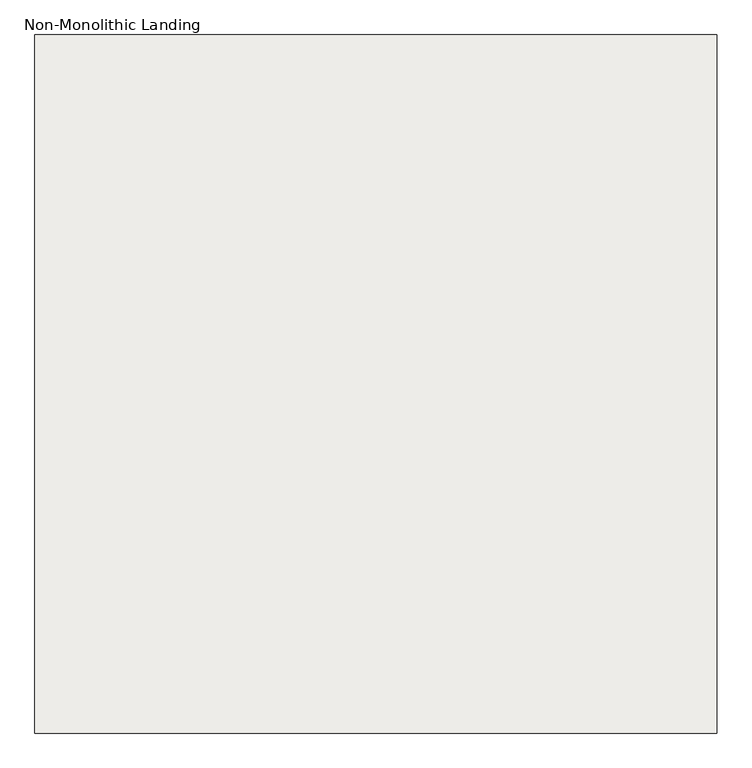
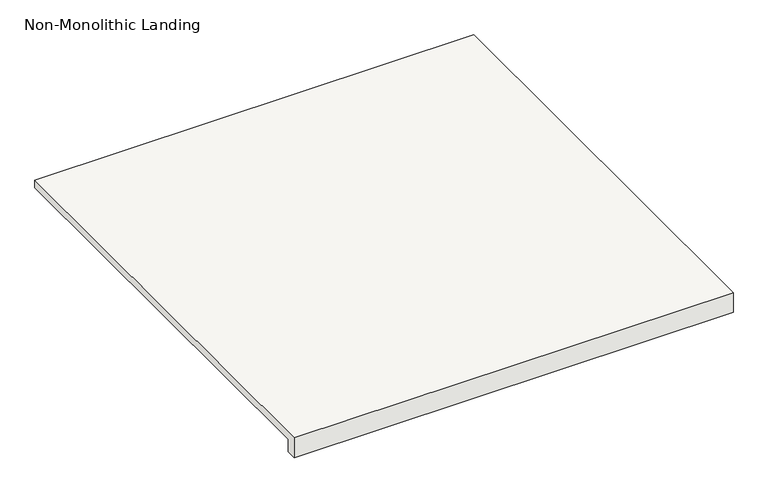
"""IFC4 building model written with IfcOpenShell, lengths in millimetres: slab geometry, Non-Monolithic Landing."""

import ifcopenshell
import ifcopenshell.guid

model = None  # the IFC model being written
_history = None  # IfcOwnerHistory: only IFC2X3 demands one
_inside = {}  # id of a spatial element -> (the spatial element, [elements in it])
_under = {}  # id of a project, library or spatial element -> (it, [spatial elements below it])
_declared = {}  # id of a project -> (the project, [libraries it declares])
_typed = {}  # id of a type object -> (the type object, [elements of that type])
_made_of = {}  # id of a material, layer set ... -> (it, [elements and type objects made of it])


def new_model(schema):
    """Start an empty IFC model of exactly this schema.

    Asked for "IFC4X3", IfcOpenShell would pick the latest addendum, in which some entities
    have other attributes; the version numbers below select the first issue.
    IFC2X3 requires an IfcOwnerHistory on every rooted entity: one is made here for all.
    """
    global model, _history
    if schema == "IFC4X3":
        model = ifcopenshell.file(schema_version=(4, 3, 0, 0))
    else:
        model = ifcopenshell.file(schema=schema)
    _inside.clear()
    _under.clear()
    _declared.clear()
    _typed.clear()
    _made_of.clear()
    _history = None
    if model.schema == "IFC2X3":
        org = make("IfcOrganization", Name="unknown")
        user = make(
            "IfcPersonAndOrganization",
            ThePerson=make("IfcPerson", FamilyName="unknown"),
            TheOrganization=org,
        )
        app = make(
            "IfcApplication",
            ApplicationDeveloper=org,
            Version="unknown",
            ApplicationFullName="unknown",
            ApplicationIdentifier="unknown",
        )
        _history = make(
            "IfcOwnerHistory",
            OwningUser=user,
            OwningApplication=app,
            ChangeAction="ADDED",
            CreationDate=0,
        )
    return model


def make(cls, **values):
    """One entity of the class cls with the attributes given. An attribute that is None is left unset."""
    return model.create_entity(
        cls, **{name: value for name, value in values.items() if value is not None}
    )


def rooted(cls, **values):
    """An entity with a GlobalId (a new one), such as an element, a storey or a relation."""
    return make(cls, GlobalId=ifcopenshell.guid.new(), OwnerHistory=_history, **values)


def si_unit(unit_type, name, prefix=None):
    """IfcSIUnit, for example si_unit("LENGTHUNIT", "METRE", prefix="MILLI")."""
    return make("IfcSIUnit", UnitType=unit_type, Prefix=prefix, Name=name)


def assignment(units):
    """IfcUnitAssignment: the units of a project."""
    return None if units is None else make("IfcUnitAssignment", Units=units)


def point(xyz):
    """IfcCartesianPoint."""
    return None if xyz is None else make("IfcCartesianPoint", Coordinates=xyz)


def direction(xyz):
    """IfcDirection."""
    return None if xyz is None else make("IfcDirection", DirectionRatios=xyz)


def frame(location, z_axis=None, x_axis=None):
    """IfcAxis2Placement3D, a coordinate frame: its origin and axes. An axis left out is left unset."""
    return make(
        "IfcAxis2Placement3D",
        Location=point(location),
        Axis=direction(z_axis),
        RefDirection=direction(x_axis),
    )


def origin():
    """The frame at (0, 0, 0) with its axes left unset."""
    return frame((0.0, 0.0, 0.0))


def place(relative_to, where):
    """IfcLocalPlacement: puts the frame where relative to a parent placement (None: the world)."""
    return make(
        "IfcLocalPlacement", PlacementRelTo=relative_to, RelativePlacement=where
    )


def context(
    kind, dimensions, precision=None, world=None, true_north=None, identifier=None
):
    """IfcGeometricRepresentationContext, for example the 3D "Model" context."""
    return make(
        "IfcGeometricRepresentationContext",
        ContextIdentifier=identifier,
        ContextType=kind,
        CoordinateSpaceDimension=dimensions,
        Precision=precision,
        WorldCoordinateSystem=world,
        TrueNorth=true_north,
    )


def project(units=None, contexts=None):
    """IfcProject with its units and contexts."""
    return rooted(
        "IfcProject",
        Name="project",
        RepresentationContexts=contexts,
        UnitsInContext=assignment(units),
    )


def spatial(cls, under=None, at=None, **own):
    """A site, building, storey or space (cls), placed at a placement, below another one or the project."""
    s = rooted(cls, ObjectPlacement=at, **own)
    if under is not None:
        _under.setdefault(under.id(), (under, []))[1].append(s)
    return s


def faces_of(points, faces, orient=None, outer=None):
    """IfcFace entities. A face is a list of loops; a loop is a list of indices into points, from 0.

    orient and outer hold one flag for each loop. By default every Orientation is true, the
    first loop of a face is its IfcFaceOuterBound and the others are IfcFaceBound.
    """
    made = []
    for i, loops in enumerate(faces):
        bounds = []
        for j, loop in enumerate(loops):
            is_outer = j == 0 if outer is None else outer[i][j]
            bounds.append(
                make(
                    "IfcFaceOuterBound" if is_outer else "IfcFaceBound",
                    Bound=make("IfcPolyLoop", Polygon=[points[k] for k in loop]),
                    Orientation=True if orient is None else orient[i][j],
                )
            )
        made.append(make("IfcFace", Bounds=bounds))
    return made


def faceted_brep(points, faces, orient=None, outer=None, voids=None):
    """IfcFacetedBrep: a solid bounded by flat faces; with voids (closed shells), ...WithVoids."""
    shared = [point(p) for p in points]
    hull = make("IfcClosedShell", CfsFaces=faces_of(shared, faces, orient, outer))
    if voids is None:
        return make("IfcFacetedBrep", Outer=hull)
    return make(
        "IfcFacetedBrepWithVoids",
        Outer=hull,
        Voids=[
            make(cls, CfsFaces=faces_of(shared, fs, o, b)) for cls, fs, o, b in voids
        ],
    )


def shape(context_of_items, identifier, shape_type, items):
    """IfcShapeRepresentation: the items that make up one representation, for example the "Body"."""
    return make(
        "IfcShapeRepresentation",
        ContextOfItems=context_of_items,
        RepresentationIdentifier=identifier,
        RepresentationType=shape_type,
        Items=items,
    )


def source(mapping_origin, context_of_items, identifier, shape_type, items):
    """IfcRepresentationMap: a shape defined once, which mapped items show again and again."""
    return make(
        "IfcRepresentationMap",
        MappingOrigin=mapping_origin,
        MappedRepresentation=shape(context_of_items, identifier, shape_type, items),
    )


def transform(
    local_origin,
    x_axis=None,
    y_axis=None,
    z_axis=None,
    scale=None,
    scale2=None,
    scale3=None,
    uniform=True,
):
    """IfcCartesianTransformationOperator3D, or its non-uniform kind. x_axis, y_axis, z_axis: its Axis1, 2, 3."""
    if uniform:
        return make(
            "IfcCartesianTransformationOperator3D",
            Axis1=direction(x_axis),
            Axis2=direction(y_axis),
            LocalOrigin=point(local_origin),
            Scale=scale,
            Axis3=direction(z_axis),
        )
    return make(
        "IfcCartesianTransformationOperator3DnonUniform",
        Axis1=direction(x_axis),
        Axis2=direction(y_axis),
        LocalOrigin=point(local_origin),
        Scale=scale,
        Axis3=direction(z_axis),
        Scale2=scale2,
        Scale3=scale3,
    )


def mapped(mapping_source, mapping_target):
    """IfcMappedItem: shows the shape of a source again, moved by a transform."""
    return make(
        "IfcMappedItem", MappingSource=mapping_source, MappingTarget=mapping_target
    )


def made_of(thing, what):
    """Note that an element or type object is made of a material, layer set ...; save() writes the relation."""
    if what is not None:
        _made_of.setdefault(what.id(), (what, []))[1].append(thing)
    return thing


def element(
    cls,
    number,
    at=None,
    inside=None,
    cuts=None,
    type_object=None,
    material=None,
    context=None,
    identifier="Body",
    shape_type=None,
    held_by="IfcProductDefinitionShape",
    body=None,
    shapes=None,
    **own,
):
    """One element of the class cls, such as IfcWall. Its Tag is "e" and its number.

    at: its placement. inside: the storey or other place that contains it. cuts: it is an
    opening in that element (IfcRelVoidsElement). A single representation is given by context,
    identifier, shape_type and body (its items); several are given by shapes. held_by: the class
    of the entity that holds the representations. save() writes the other relations.
    """
    e = rooted(cls, Tag="e%d" % number, ObjectPlacement=at, **own)
    if body is not None:
        shapes = [shape(context, identifier, shape_type, body)]
    if shapes is not None:
        e.Representation = make(held_by, Representations=shapes)
    if inside is not None:
        _inside.setdefault(inside.id(), (inside, []))[1].append(e)
    if cuts is not None:
        rooted(
            "IfcRelVoidsElement", RelatingBuildingElement=cuts, RelatedOpeningElement=e
        )
    if type_object is not None:
        _typed.setdefault(type_object.id(), (type_object, []))[1].append(e)
    return made_of(e, material)


def aggregate(whole, parts):
    """IfcRelAggregates: a whole, such as a stair, and the parts it consists of."""
    return rooted("IfcRelAggregates", RelatingObject=whole, RelatedObjects=parts)


def save(model, path):
    """Write the relations noted so far, then the file.

    IfcRelAggregates (storeys below a building ...), IfcRelContainedInSpatialStructure (elements
    in a storey), IfcRelDefinesByType, IfcRelAssociatesMaterial and IfcRelDeclares: one each for
    every whole, place, type object, material and project.
    """
    for whole, parts in _under.values():
        aggregate(whole, parts)
    for where, things in _inside.values():
        rooted(
            "IfcRelContainedInSpatialStructure",
            RelatedElements=things,
            RelatingStructure=where,
        )
    for kind, things in _typed.values():
        rooted("IfcRelDefinesByType", RelatedObjects=things, RelatingType=kind)
    for what, things in _made_of.values():
        rooted("IfcRelAssociatesMaterial", RelatedObjects=things, RelatingMaterial=what)
    for by, libraries in _declared.values():
        rooted("IfcRelDeclares", RelatingContext=by, RelatedDefinitions=libraries)
    model.write(path)


def non_monolithic_landing_1714807e(model_context):
    return source(origin(), model_context, "Body", "Brep", [
        faceted_brep([(28419.236035, -6722.6798674, 1838.1382353), (28444.636035, -6722.6798674, 1812.7382353), (28444.636035, -7789.4798674, 1812.7382353), (28419.236035, -7789.4798674, 1838.1382353), (28419.236035, -7814.8798674, 1857.1882353), (29486.036035, -7814.8798674, 1857.1882353), (29486.036035, -7789.4798674, 1857.1882353), (29486.036035, -6722.6798674, 1857.1882353), (28419.236035, -6722.6798674, 1857.1882353), (28444.636035, -7789.4798674, 1806.3882353), (28444.636035, -6722.6798674, 1806.3882353), (29486.036035, -6722.6798674, 1806.3882353), (29486.036035, -7789.4798674, 1806.3882353), (29486.036035, -7814.8798674, 1806.3882353), (28419.236035, -7814.8798674, 1806.3882353), (28419.236035, -7789.4798674, 1806.3882353)], [[[0, 1, 2, 3]], [[4, 5, 6, 7, 8]], [[9, 10, 11, 12, 13, 14, 15]], [[10, 9, 2, 1]], [[9, 15, 3, 2]], [[4, 8, 0, 3, 15, 14]], [[5, 4, 14, 13]], [[6, 5, 13, 12]], [[7, 6, 12, 11]], [[8, 7, 11, 10, 1, 0]]]),
    ])


if __name__ == "__main__":
    model = new_model("IFC4")
    model_context = context("Model", 3, world=origin())
    ifc_project = project(units=[si_unit("LENGTHUNIT", "METRE", prefix="MILLI")], contexts=[model_context])
    site = spatial("IfcSite", under=ifc_project)
    building = spatial("IfcBuilding", under=site)
    placement = place(None, origin())
    non_monolithic_landing_shape = non_monolithic_landing_1714807e(model_context)
    element("IfcSlab", 1, ObjectType="Non-Monolithic Landing", at=placement, inside=building, context=model_context, shape_type="MappedRepresentation", body=[
        mapped(non_monolithic_landing_shape, transform((0.0, 0.0, 0.0), x_axis=(1.0, 0.0, 0.0), y_axis=(0.0, 1.0, 0.0), z_axis=(0.0, 0.0, 1.0))),
    ])
    save(model, "model.ifc")
